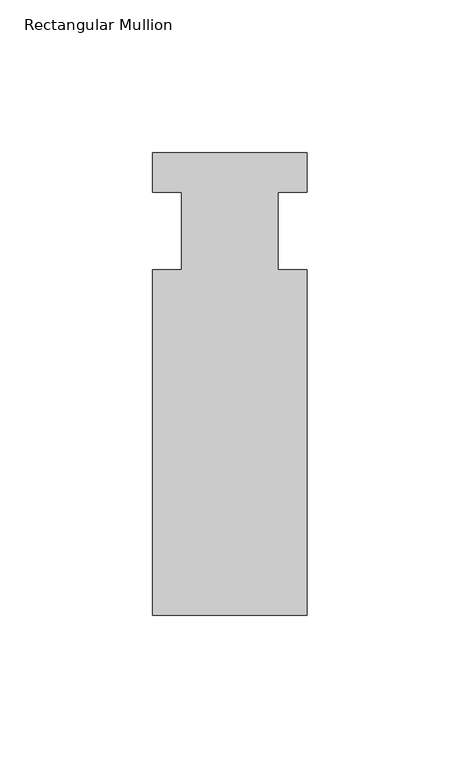
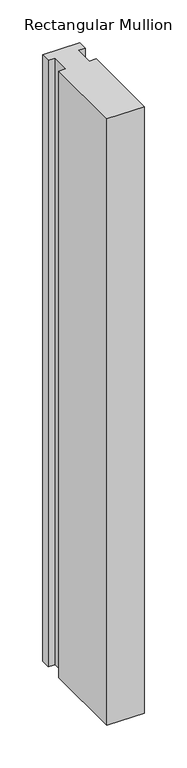
"""IFC4 building model written with IfcOpenShell, lengths in millimetres: member geometry, Rectangular Mullion."""

from ifc_helpers import new_model, si_unit, frame, origin, place, context, project, spatial, polyline, outline, extrude, source, transform, mapped, element, save


def rectangular_mullion_8d7228f3(model_context):
    return source(origin(), model_context, "Body", "SweptSolid", [
        extrude(outline(polyline([(-25.4, 25.796875), (25.4, 25.796875), (25.4, 12.7), (15.875, 12.7), (15.875, -12.7), (25.4, -12.7), (25.4, -125.809375), (-25.4, -125.809375), (-25.4, -12.7), (-15.875, -12.7), (-15.875, 12.7), (-25.4, 12.7), (-25.4, 25.796875)])), frame((0.0, 0.0, -870.9014763), z_axis=(0.0, 0.0, 1.0), x_axis=(1.0, 0.0, 0.0)), (0.0, 0.0, 1.0), 870.9014763),
    ])


if __name__ == "__main__":
    model = new_model("IFC4")
    model_context = context("Model", 3, world=origin())
    ifc_project = project(units=[si_unit("LENGTHUNIT", "METRE", prefix="MILLI")], contexts=[model_context])
    site = spatial("IfcSite", under=ifc_project)
    building = spatial("IfcBuilding", under=site)
    placement = place(None, origin())
    rectangular_mullion_shape = rectangular_mullion_8d7228f3(model_context)
    element("IfcMember", 1, ObjectType="Rectangular Mullion", at=placement, inside=building, context=model_context, shape_type="MappedRepresentation", body=[
        mapped(rectangular_mullion_shape, transform((0.0, 0.0, 0.0), x_axis=(1.0, 0.0, 0.0), y_axis=(0.0, 1.0, 0.0), z_axis=(0.0, 0.0, 1.0))),
    ])
    save(model, "model.ifc")
